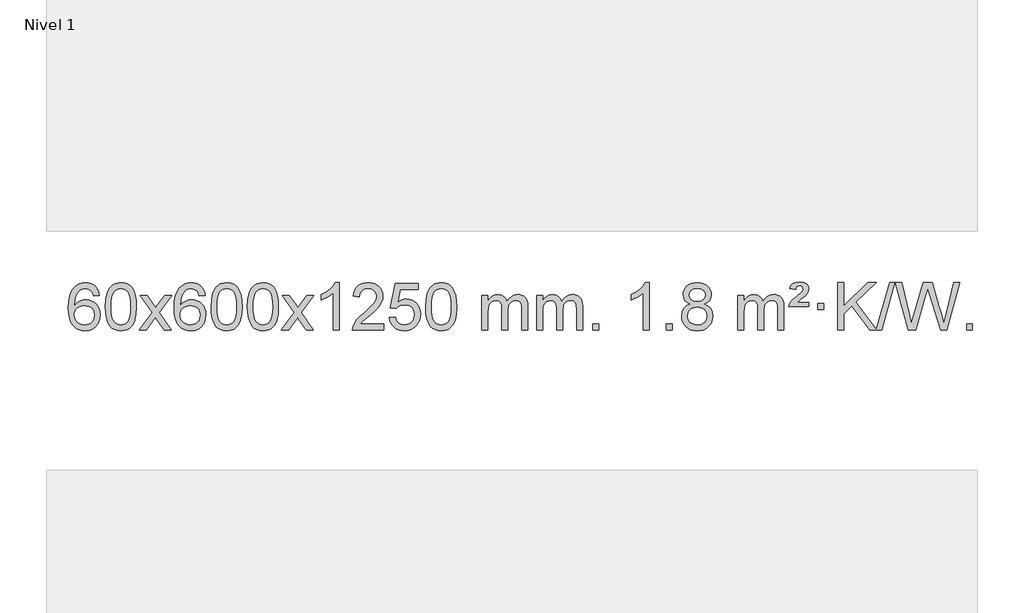
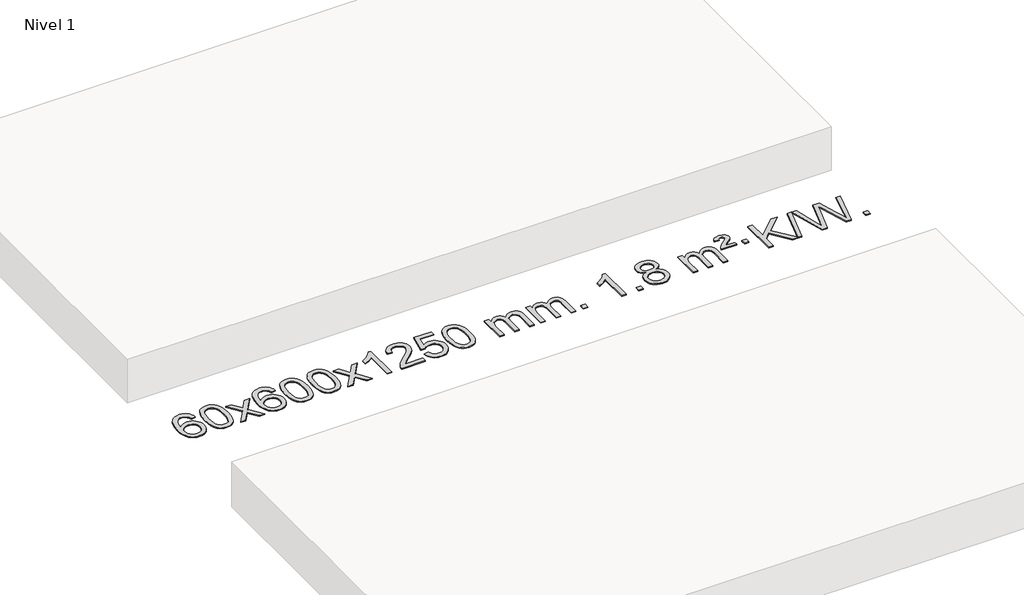
# One storey, part 7 of 7: 1 proxy.
"""IFC4 building model written with IfcOpenShell, lengths in millimetres."""

from ifc_helpers import new_model, si_unit, origin, origin_with_axes, place, context, project, spatial, polyline, outline, extrude, element, save

model = new_model("IFC4")

# Units and contexts
model_context = context("Model", 3, world=origin())
ifc_project = project(units=[si_unit("LENGTHUNIT", "METRE", prefix="MILLI")], contexts=[model_context])

# Site, building, storey
site = spatial("IfcSite", under=ifc_project)
building = spatial("IfcBuilding", under=site)
storey = spatial("IfcBuildingStorey", under=building, Name="Nivel 1", Elevation=0.0)

# Proxy
placement = place(None, origin())
element("IfcBuildingElementProxy", 1, Name="Texto de modelo 1", ObjectType="Texto de modelo 1", at=placement, inside=storey, context=model_context, shape_type="SweptSolid", body=[
    extrude(outline(polyline([(-12868.7310862, -89.5264458), (-12918.9592412, -95.8049652), (-12927.0526451, -70.9116168), (-12937.9910031, -53.9154687), (-12960.7751614, -38.2436957), (-12988.3172601, -33.0197713), (-13011.665504, -36.0609292), (-13033.6403219, -45.1844027), (-13052.5126682, -64.4001055), (-13067.9269238, -90.850821), (-13078.3379843, -128.2644199), (-13082.2007452, -180.3687731), (-13062.0530746, -156.8611137), (-13037.907753, -140.2941611), (-13011.113681, -130.4717119), (-12983.0197593, -127.1975621), (-12958.8867005, -129.4355109), (-12936.617577, -136.1493573), (-12916.212389, -147.3391013), (-12897.6711365, -163.004743), (-12882.2630122, -182.2143145), (-12871.2572092, -204.0358482), (-12864.6537274, -228.469344), (-12862.4525668, -255.514802), (-12866.5973706, -291.4813984), (-12879.031782, -324.8237699), (-12898.7257315, -353.1016326), (-12924.6491494, -373.8747026), (-12955.6248134, -386.6402078), (-12990.4755011, -390.8953763), (-13020.4180298, -388.0749476), (-13047.4604222, -379.6136617), (-13071.6026781, -365.5115186), (-13092.8447976, -345.7685182), (-13110.1628426, -319.5507947), (-13122.5328746, -286.0244822), (-13129.9548939, -245.1895807), (-13132.4289003, -197.0460903), (-13129.6820481, -143.0716702), (-13121.4414914, -97.006713), (-13107.7072302, -58.8512188), (-13088.4792646, -28.6051874), (-13067.6387496, -8.56175), (-13043.4750339, 5.7549909), (-13015.9881175, 14.3450355), (-12985.1780004, 17.2083837), (-12962.0443542, 15.4364188), (-12941.1057374, 10.120524), (-12922.3621497, 1.2606992), (-12905.8135913, -11.1430554), (-12891.9076519, -26.6738069), (-12881.0919212, -44.9146225), (-12873.3663993, -65.8655021), (-12868.7310862, -89.5264458)]), holes=[polyline([(-13082.2007452, -254.7299871), (-13079.2944775, -276.9868478), (-13070.5756742, -298.2381644), (-13057.0376168, -316.5096368), (-13039.6735866, -329.8269651), (-13018.7165756, -337.9571571), (-12994.3995757, -340.6672212), (-12961.253408, -335.0508894), (-12947.3382715, -328.0304746), (-12935.1951, -318.201894), (-12925.3450595, -305.9636863), (-12918.3093164, -291.7143904), (-12912.6807219, -257.1825337), (-12918.23574, -224.036366), (-12925.1795126, -210.4155351), (-12934.9007944, -198.7628729), (-12947.0807541, -189.4278673), (-12961.4005608, -182.7600061), (-12996.4597149, -177.4257172), (-13029.5568317, -182.7600061), (-13057.2338205, -198.7628729), (-13068.1568501, -210.2622509), (-13075.9590141, -223.4232293), (-13080.6403124, -238.245808), (-13082.2007452, -254.7299871)])]), origin_with_axes(), (0.0, 0.0, 1.0), 10.0),
    extrude(outline(polyline([(-12818.5029311, -186.9415981), (-12814.8118484, -122.6235626), (-12803.7386004, -71.3285498), (-12785.3935515, -32.2717446), (-12773.5354886, -17.0383643), (-12759.8870665, -4.6683323), (-12744.4023002, 4.902731), (-12727.0352044, 11.7392047), (-12686.654024, 17.2083837), (-12655.7028855, 13.9710222), (-12627.9891085, 4.2589375), (-12604.8125428, -11.5477256), (-12587.4730381, -33.0688223), (-12574.3764391, -60.1204117), (-12563.9285904, -92.5185527), (-12557.0859853, -133.6600225), (-12554.805117, -186.9415981), (-12558.4594114, -250.8917516), (-12569.4222949, -302.0641372), (-12587.6569791, -341.1577305), (-12599.487451, -356.437096), (-12613.1266759, -368.8715075), (-12628.6298363, -378.5069501), (-12646.0521145, -385.3894091), (-12686.654024, -390.8953763), (-12714.3187501, -388.5041433), (-12738.8442164, -381.3304444), (-12760.2304231, -369.3742795), (-12778.47737, -352.6356488), (-12795.988553, -322.3773547), (-12808.4965408, -284.6755815), (-12816.0013335, -239.5303293), (-12818.5029311, -186.9415981)]), holes=[polyline([(-12768.274776, -186.8434963), (-12766.803248, -230.5080234), (-12762.3886641, -265.8522861), (-12755.0310242, -292.8762843), (-12744.7303283, -311.5800181), (-12732.2713914, -324.3056694), (-12718.4390284, -333.3954204), (-12703.2332393, -338.849271), (-12686.654024, -340.6672212), (-12670.0748088, -338.8431396), (-12654.8690196, -333.3708949), (-12641.0366566, -324.2504871), (-12628.5777197, -311.4819162), (-12618.2770239, -292.7475256), (-12610.919384, -265.7296588), (-12606.5048, -230.4283156), (-12605.033272, -186.8434963), (-12606.4557491, -144.3347317), (-12610.7231802, -109.6128027), (-12617.8355655, -82.6777093), (-12627.7929048, -63.5294515), (-12640.0433752, -50.1814664), (-12654.0351538, -40.6471914), (-12669.7682404, -34.9266264), (-12687.2426352, -33.0197713), (-12703.7360113, -34.6997658), (-12718.6842831, -39.7397491), (-12732.0874504, -48.1397213), (-12743.9455134, -59.8996825), (-12754.5895658, -80.7463289), (-12762.1924604, -108.8525133), (-12766.7541971, -144.2182358), (-12768.274776, -186.8434963)])]), origin_with_axes(), (0.0, 0.0, 1.0), 10.0),
    extrude(outline(polyline([(-12529.6910394, -384.6168569), (-12422.3675987, -236.2868364), (-12523.41252, -89.5264458), (-12462.981771, -89.5264458), (-12414.2251439, -160.1597889), (-12391.4655111, -193.5144231), (-12371.7470362, -166.2421045), (-12316.2213804, -89.5264458), (-12255.7906313, -89.5264458), (-12361.9368496, -236.2868364), (-12259.7147059, -384.6168569), (-12320.145455, -384.6168569), (-12381.6553246, -295.4422612), (-12392.9370391, -279.1573516), (-12469.2602903, -384.6168569), (-12529.6910394, -384.6168569)])), origin_with_axes(), (0.0, 0.0, 1.0), 10.0),
    extrude(outline(polyline([(-11970.9028142, -89.5264458), (-12021.1309693, -95.8049652), (-12029.2243732, -70.9116168), (-12040.1627312, -53.9154687), (-12062.9468894, -38.2436957), (-12090.4889881, -33.0197713), (-12113.8372321, -36.0609292), (-12135.8120499, -45.1844027), (-12154.6843963, -64.4001055), (-12170.0986519, -90.850821), (-12180.5097123, -128.2644199), (-12184.3724733, -180.3687731), (-12164.2248027, -156.8611137), (-12140.0794811, -140.2941611), (-12113.2854091, -130.4717119), (-12085.1914874, -127.1975621), (-12061.0584285, -129.4355109), (-12038.7893051, -136.1493573), (-12018.3841171, -147.3391013), (-11999.8428645, -163.004743), (-11984.4347403, -182.2143145), (-11973.4289372, -204.0358482), (-11966.8254554, -228.469344), (-11964.6242948, -255.514802), (-11968.7690986, -291.4813984), (-11981.2035101, -324.8237699), (-12000.8974596, -353.1016326), (-12026.8208775, -373.8747026), (-12057.7965415, -386.6402078), (-12092.6472291, -390.8953763), (-12122.5897579, -388.0749476), (-12149.6321502, -379.6136617), (-12173.7744061, -365.5115186), (-12195.0165257, -345.7685182), (-12212.3345706, -319.5507947), (-12224.7046027, -286.0244822), (-12232.1266219, -245.1895807), (-12234.6006284, -197.0460903), (-12231.8537761, -143.0716702), (-12223.6132194, -97.006713), (-12209.8789583, -58.8512188), (-12190.6509927, -28.6051874), (-12169.8104776, -8.56175), (-12145.6467619, 5.7549909), (-12118.1598455, 14.3450355), (-12087.3497284, 17.2083837), (-12064.2160823, 15.4364188), (-12043.2774654, 10.120524), (-12024.5338777, 1.2606992), (-12007.9853193, -11.1430554), (-11994.0793799, -26.6738069), (-11983.2636492, -44.9146225), (-11975.5381274, -65.8655021), (-11970.9028142, -89.5264458)]), holes=[polyline([(-12184.3724733, -254.7299871), (-12181.4662055, -276.9868478), (-12172.7474022, -298.2381644), (-12159.2093448, -316.5096368), (-12141.8453146, -329.8269651), (-12120.8883036, -337.9571571), (-12096.5713038, -340.6672212), (-12063.425136, -335.0508894), (-12049.5099995, -328.0304746), (-12037.366828, -318.201894), (-12027.5167876, -305.9636863), (-12020.4810444, -291.7143904), (-12014.8524499, -257.1825337), (-12020.407468, -224.036366), (-12027.3512407, -210.4155351), (-12037.0725224, -198.7628729), (-12049.2524821, -189.4278673), (-12063.5722888, -182.7600061), (-12098.6314429, -177.4257172), (-12131.7285598, -182.7600061), (-12159.4055485, -198.7628729), (-12170.3285781, -210.2622509), (-12178.1307421, -223.4232293), (-12182.8120405, -238.245808), (-12184.3724733, -254.7299871)])]), origin_with_axes(), (0.0, 0.0, 1.0), 10.0),
    extrude(outline(polyline([(-11920.6746591, -186.9415981), (-11916.9835765, -122.6235626), (-11905.9103284, -71.3285498), (-11887.5652796, -32.2717446), (-11875.7072166, -17.0383643), (-11862.0587946, -4.6683323), (-11846.5740283, 4.902731), (-11829.2069324, 11.7392047), (-11788.8257521, 17.2083837), (-11757.8746135, 13.9710222), (-11730.1608366, 4.2589375), (-11706.9842709, -11.5477256), (-11689.6447662, -33.0688223), (-11676.5481671, -60.1204117), (-11666.1003185, -92.5185527), (-11659.2577134, -133.6600225), (-11656.976845, -186.9415981), (-11660.6311395, -250.8917516), (-11671.5940229, -302.0641372), (-11689.8287072, -341.1577305), (-11701.659179, -356.437096), (-11715.298404, -368.8715075), (-11730.8015644, -378.5069501), (-11748.2238425, -385.3894091), (-11788.8257521, -390.8953763), (-11816.4904781, -388.5041433), (-11841.0159444, -381.3304444), (-11862.4021511, -369.3742795), (-11880.6490981, -352.6356488), (-11898.160281, -322.3773547), (-11910.6682689, -284.6755815), (-11918.1730616, -239.5303293), (-11920.6746591, -186.9415981)]), holes=[polyline([(-11870.4465041, -186.8434963), (-11868.9749761, -230.5080234), (-11864.5603921, -265.8522861), (-11857.2027522, -292.8762843), (-11846.9020564, -311.5800181), (-11834.4431195, -324.3056694), (-11820.6107564, -333.3954204), (-11805.4049673, -338.849271), (-11788.8257521, -340.6672212), (-11772.2465368, -338.8431396), (-11757.0407477, -333.3708949), (-11743.2083847, -324.2504871), (-11730.7494478, -311.4819162), (-11720.4487519, -292.7475256), (-11713.091112, -265.7296588), (-11708.676528, -230.4283156), (-11707.2050001, -186.8434963), (-11708.6274771, -144.3347317), (-11712.8949083, -109.6128027), (-11720.0072935, -82.6777093), (-11729.9646328, -63.5294515), (-11742.2151033, -50.1814664), (-11756.2068818, -40.6471914), (-11771.9399685, -34.9266264), (-11789.4143633, -33.0197713), (-11805.9077394, -34.6997658), (-11820.8560111, -39.7397491), (-11834.2591785, -48.1397213), (-11846.1172414, -59.8996825), (-11856.7612938, -80.7463289), (-11864.3641884, -108.8525133), (-11868.9259251, -144.2182358), (-11870.4465041, -186.8434963)])]), origin_with_axes(), (0.0, 0.0, 1.0), 10.0),
    extrude(outline(polyline([(-11613.0272093, -186.9415981), (-11609.3361266, -122.6235626), (-11598.2628786, -71.3285498), (-11579.9178297, -32.2717446), (-11568.0597668, -17.0383643), (-11554.4113447, -4.6683323), (-11538.9265784, 4.902731), (-11521.5594826, 11.7392047), (-11481.1783022, 17.2083837), (-11450.2271637, 13.9710222), (-11422.5133867, 4.2589375), (-11399.336821, -11.5477256), (-11381.9973163, -33.0688223), (-11368.9007173, -60.1204117), (-11358.4528686, -92.5185527), (-11351.6102635, -133.6600225), (-11349.3293952, -186.9415981), (-11352.9836896, -250.8917516), (-11363.9465731, -302.0641372), (-11382.1812573, -341.1577305), (-11394.0117292, -356.437096), (-11407.6509541, -368.8715075), (-11423.1541145, -378.5069501), (-11440.5763927, -385.3894091), (-11481.1783022, -390.8953763), (-11508.8430283, -388.5041433), (-11533.3684946, -381.3304444), (-11554.7547013, -369.3742795), (-11573.0016482, -352.6356488), (-11590.5128312, -322.3773547), (-11603.020819, -284.6755815), (-11610.5256117, -239.5303293), (-11613.0272093, -186.9415981)]), holes=[polyline([(-11562.7990542, -186.8434963), (-11561.3275262, -230.5080234), (-11556.9129423, -265.8522861), (-11549.5553024, -292.8762843), (-11539.2546065, -311.5800181), (-11526.7956696, -324.3056694), (-11512.9633066, -333.3954204), (-11497.7575175, -338.849271), (-11481.1783022, -340.6672212), (-11464.599087, -338.8431396), (-11449.3932978, -333.3708949), (-11435.5609348, -324.2504871), (-11423.1019979, -311.4819162), (-11412.8013021, -292.7475256), (-11405.4436622, -265.7296588), (-11401.0290782, -230.4283156), (-11399.5575502, -186.8434963), (-11400.9800273, -144.3347317), (-11405.2474584, -109.6128027), (-11412.3598437, -82.6777093), (-11422.317183, -63.5294515), (-11434.5676534, -50.1814664), (-11448.559432, -40.6471914), (-11464.2925187, -34.9266264), (-11481.7669134, -33.0197713), (-11498.2602895, -34.6997658), (-11513.2085613, -39.7397491), (-11526.6117286, -48.1397213), (-11538.4697916, -59.8996825), (-11549.113844, -80.7463289), (-11556.7167386, -108.8525133), (-11561.2784753, -144.2182358), (-11562.7990542, -186.8434963)])]), origin_with_axes(), (0.0, 0.0, 1.0), 10.0),
    extrude(outline(polyline([(-11324.2153176, -384.6168569), (-11216.8918769, -236.2868364), (-11317.9367982, -89.5264458), (-11257.5060492, -89.5264458), (-11208.7494221, -160.1597889), (-11185.9897893, -193.5144231), (-11166.2713144, -166.2421045), (-11110.7456586, -89.5264458), (-11050.3149095, -89.5264458), (-11156.4611278, -236.2868364), (-11054.2389841, -384.6168569), (-11114.6697332, -384.6168569), (-11176.1796028, -295.4422612), (-11187.4613173, -279.1573516), (-11263.7845685, -384.6168569), (-11324.2153176, -384.6168569)])), origin_with_axes(), (0.0, 0.0, 1.0), 10.0),
    extrude(outline(polyline([(-10834.4908056, -384.6168569), (-10884.7189607, -384.6168569), (-10884.7189607, -71.4757026), (-10905.6882344, -88.4350626), (-10932.2983654, -105.3698971), (-10985.1752709, -130.7292293), (-10985.1752709, -83.2479264), (-10945.7260583, -61.7881434), (-10911.5498209, -36.2571329), (-10884.6085961, -9.1074417), (-10866.8644212, 17.2083837), (-10834.4908056, 17.2083837), (-10834.4908056, -384.6168569)])), origin_with_axes(), (0.0, 0.0, 1.0), 10.0),
    extrude(outline(polyline([(-10457.7796426, -334.3887018), (-10457.7796426, -384.6168569), (-10721.4774567, -384.6168569), (-10720.3738107, -366.9339956), (-10716.0818541, -349.9868984), (-10703.6964936, -322.9230463), (-10685.572174, -296.6685346), (-10659.3544505, -269.1877495), (-10622.6888783, -238.4450775), (-10568.4875977, -190.301587), (-10535.9668293, -154.7641863), (-10519.7064451, -125.9222379), (-10514.286317, -97.8651044), (-10519.3998768, -72.7142386), (-10534.740556, -51.8062786), (-10558.3217919, -37.7163982), (-10588.1570217, -33.0197713), (-10619.4883049, -37.6060336), (-10643.8298303, -51.3648202), (-10659.5383915, -73.2170107), (-10664.9707823, -102.0834846), (-10715.1989373, -95.8049652), (-10710.8793896, -69.8754159), (-10703.0220433, -47.2200164), (-10691.6268985, -27.8387666), (-10676.6939552, -11.7316666), (-10658.5665699, 0.9296054), (-10637.5880991, 9.9733712), (-10613.7585429, 15.3996306), (-10587.0779012, 17.2083837), (-10560.1581362, 15.1972955), (-10536.1998212, 9.1640308), (-10515.2029563, -0.8914104), (-10497.1675415, -14.9690281), (-10482.682188, -32.02649), (-10472.3355069, -51.0214636), (-10466.1274982, -71.9539492), (-10464.058162, -94.8239465), (-10466.2899794, -118.8466408), (-10472.9854317, -142.4524022), (-10484.8680202, -166.4628337), (-10502.661246, -191.6995386), (-10531.0249478, -221.829074), (-10574.6189643, -260.5179972), (-10632.400963, -308.8331659), (-10655.0624939, -334.3887018), (-10457.7796426, -334.3887018)])), origin_with_axes(), (0.0, 0.0, 1.0), 10.0),
    extrude(outline(polyline([(-10407.5514875, -277.8820273), (-10357.3233324, -271.603508), (-10348.1017571, -301.7575688), (-10332.0130512, -323.3522419), (-10309.1307911, -336.3384764), (-10279.5285532, -340.6672212), (-10260.3986894, -339.1619707), (-10243.5251686, -334.6462192), (-10228.9079907, -327.1199667), (-10216.5471556, -316.5832132), (-10206.718575, -303.5571249), (-10199.6981602, -288.5628679), (-10194.0818284, -252.6698479), (-10199.342541, -218.8737553), (-10205.9184316, -204.9555532), (-10215.1246786, -193.0239138), (-10226.9919386, -183.4528505), (-10241.5508686, -176.6163768), (-10278.7437383, -171.1471978), (-10303.1097891, -173.3299643), (-10322.8405268, -179.8782638), (-10338.5981389, -189.9091796), (-10351.044813, -202.5397947), (-10401.2729681, -196.2612753), (-10357.3233324, 10.9298643), (-10162.6892315, 10.9298643), (-10162.6892315, -39.2982907), (-10316.7091602, -39.2982907), (-10338.1934687, -149.9571949), (-10320.4676879, -137.2530033), (-10302.3127114, -128.1785808), (-10283.7285393, -122.7339272), (-10264.7151715, -120.9190427), (-10240.2540845, -123.1692543), (-10217.7856917, -129.9198889), (-10197.3099929, -141.1709466), (-10178.8269884, -156.9224273), (-10163.5261631, -176.2117066), (-10152.5970021, -198.0761598), (-10146.0395056, -222.5157871), (-10143.8536734, -249.5305882), (-10145.821842, -275.552108), (-10151.7263481, -299.7587433), (-10161.5671914, -322.1504941), (-10175.3443722, -342.7273604), (-10196.215544, -363.8008673), (-10220.5693321, -378.8533723), (-10248.4057364, -387.8848753), (-10279.7247569, -390.8953763), (-10305.6451092, -388.9609301), (-10329.0577325, -383.1575916), (-10349.9626268, -373.4853608), (-10368.3597923, -359.9442377), (-10383.666749, -343.2086726), (-10395.3010171, -323.9531159), (-10403.2625966, -302.1775674), (-10407.5514875, -277.8820273)])), origin_with_axes(), (0.0, 0.0, 1.0), 10.0),
    extrude(outline(polyline([(-10099.9040377, -186.9415981), (-10096.212955, -122.6235626), (-10085.1397069, -71.3285498), (-10066.7946581, -32.2717446), (-10054.9365951, -17.0383643), (-10041.2881731, -4.6683323), (-10025.8034068, 4.902731), (-10008.4363109, 11.7392047), (-9968.0551306, 17.2083837), (-9937.1039921, 13.9710222), (-9909.3902151, 4.2589375), (-9886.2136494, -11.5477256), (-9868.8741447, -33.0688223), (-9855.7775457, -60.1204117), (-9845.329697, -92.5185527), (-9838.4870919, -133.6600225), (-9836.2062235, -186.9415981), (-9839.860518, -250.8917516), (-9850.8234015, -302.0641372), (-9869.0580857, -341.1577305), (-9880.8885575, -356.437096), (-9894.5277825, -368.8715075), (-9910.0309429, -378.5069501), (-9927.4532211, -385.3894091), (-9968.0551306, -390.8953763), (-9995.7198566, -388.5041433), (-10020.245323, -381.3304444), (-10041.6315296, -369.3742795), (-10059.8784766, -352.6356488), (-10077.3896596, -322.3773547), (-10089.8976474, -284.6755815), (-10097.4024401, -239.5303293), (-10099.9040377, -186.9415981)]), holes=[polyline([(-10049.6758826, -186.8434963), (-10048.2043546, -230.5080234), (-10043.7897707, -265.8522861), (-10036.4321308, -292.8762843), (-10026.1314349, -311.5800181), (-10013.672498, -324.3056694), (-9999.840135, -333.3954204), (-9984.6343459, -338.849271), (-9968.0551306, -340.6672212), (-9951.4759154, -338.8431396), (-9936.2701262, -333.3708949), (-9922.4377632, -324.2504871), (-9909.9788263, -311.4819162), (-9899.6781304, -292.7475256), (-9892.3204905, -265.7296588), (-9887.9059066, -230.4283156), (-9886.4343786, -186.8434963), (-9887.8568557, -144.3347317), (-9892.1242868, -109.6128027), (-9899.236672, -82.6777093), (-9909.1940114, -63.5294515), (-9921.4444818, -50.1814664), (-9935.4362604, -40.6471914), (-9951.169347, -34.9266264), (-9968.6437418, -33.0197713), (-9985.1371179, -34.6997658), (-10000.0853897, -39.7397491), (-10013.488557, -48.1397213), (-10025.34662, -59.8996825), (-10035.9906724, -80.7463289), (-10043.5935669, -108.8525133), (-10048.1553037, -144.2182358), (-10049.6758826, -186.8434963)])]), origin_with_axes(), (0.0, 0.0, 1.0), 10.0),
    extrude(outline(polyline([(-9622.7365645, -384.6168569), (-9622.7365645, -89.5264458), (-9572.5084094, -89.5264458), (-9572.5084094, -138.0868692), (-9557.4007221, -115.7809575), (-9537.9765528, -98.3065628), (-9514.8980889, -87.0125855), (-9488.8275182, -83.2479264), (-9460.8930121, -87.0861619), (-9438.5012613, -98.6008684), (-9421.7748932, -117.0317563), (-9410.8365352, -141.6185363), (-9392.5282746, -116.0813945), (-9371.64484, -97.8405789), (-9348.1862315, -86.8960895), (-9322.1524489, -83.2479264), (-9302.0446322, -84.7654397), (-9284.3954935, -89.3179793), (-9269.2050328, -96.9055455), (-9256.4732501, -107.5281381), (-9246.4086118, -121.3083845), (-9239.2195845, -138.368912), (-9234.9061681, -158.7097207), (-9233.4683626, -182.3308105), (-9233.4683626, -384.6168569), (-9283.6965177, -384.6168569), (-9283.6965177, -203.9132208), (-9284.8614774, -178.860457), (-9288.3563563, -161.9746734), (-9294.9046558, -150.410916), (-9305.2298772, -141.3242307), (-9318.5104172, -135.4381188), (-9333.9246728, -133.4760815), (-9361.1356777, -138.5038021), (-9383.318962, -153.5869639), (-9391.924335, -165.1568526), (-9398.07103, -179.7556365), (-9402.988386, -218.0398895), (-9402.988386, -384.6168569), (-9453.2165411, -384.6168569), (-9453.2165411, -198.3214145), (-9456.1228088, -169.9209245), (-9464.8416121, -149.6628893), (-9480.1822913, -137.5227834), (-9502.9541868, -133.4760815), (-9522.3047798, -136.1738828), (-9540.1347938, -144.2672867), (-9554.8500736, -157.5600894), (-9564.8564639, -175.8560873), (-9570.595423, -201.239945), (-9572.5084094, -235.7963271), (-9572.5084094, -384.6168569), (-9622.7365645, -384.6168569)])), origin_with_axes(), (0.0, 0.0, 1.0), 10.0),
    extrude(outline(polyline([(-9158.12613, -384.6168569), (-9158.12613, -89.5264458), (-9107.8979749, -89.5264458), (-9107.8979749, -138.0868692), (-9092.7902877, -115.7809575), (-9073.3661183, -98.3065628), (-9050.2876545, -87.0125855), (-9024.2170838, -83.2479264), (-8996.2825776, -87.0861619), (-8973.8908268, -98.6008684), (-8957.1644588, -117.0317563), (-8946.2261008, -141.6185363), (-8927.9178402, -116.0813945), (-8907.0344056, -97.8405789), (-8883.575797, -86.8960895), (-8857.5420145, -83.2479264), (-8837.4341978, -84.7654397), (-8819.7850591, -89.3179793), (-8804.5945983, -96.9055455), (-8791.8628156, -107.5281381), (-8781.7981774, -121.3083845), (-8774.6091501, -138.368912), (-8770.2957337, -158.7097207), (-8768.8579282, -182.3308105), (-8768.8579282, -384.6168569), (-8819.0860833, -384.6168569), (-8819.0860833, -203.9132208), (-8820.2510429, -178.860457), (-8823.7459219, -161.9746734), (-8830.2942214, -150.410916), (-8840.6194427, -141.3242307), (-8853.8999827, -135.4381188), (-8869.3142383, -133.4760815), (-8896.5252433, -138.5038021), (-8918.7085276, -153.5869639), (-8927.3139006, -165.1568526), (-8933.4605956, -179.7556365), (-8938.3779516, -218.0398895), (-8938.3779516, -384.6168569), (-8988.6061066, -384.6168569), (-8988.6061066, -198.3214145), (-8991.5123744, -169.9209245), (-9000.2311777, -149.6628893), (-9015.5718569, -137.5227834), (-9038.3437524, -133.4760815), (-9057.6943453, -136.1738828), (-9075.5243594, -144.2672867), (-9090.2396392, -157.5600894), (-9100.2460294, -175.8560873), (-9105.9849886, -201.239945), (-9107.8979749, -235.7963271), (-9107.8979749, -384.6168569), (-9158.12613, -384.6168569)])), origin_with_axes(), (0.0, 0.0, 1.0), 10.0),
    extrude(outline(polyline([(-8680.9586568, -384.6168569), (-8680.9586568, -334.3887018), (-8630.7305017, -334.3887018), (-8630.7305017, -384.6168569), (-8680.9586568, -384.6168569)])), origin_with_axes(), (0.0, 0.0, 1.0), 10.0),
    extrude(outline(polyline([(-8203.7911836, -384.6168569), (-8254.0193387, -384.6168569), (-8254.0193387, -71.4757026), (-8274.9886124, -88.4350626), (-8301.5987434, -105.3698971), (-8354.4756488, -130.7292293), (-8354.4756488, -83.2479264), (-8315.0264362, -61.7881434), (-8280.8501989, -36.2571329), (-8253.9089741, -9.1074417), (-8236.1647992, 17.2083837), (-8203.7911836, 17.2083837), (-8203.7911836, -384.6168569)])), origin_with_axes(), (0.0, 0.0, 1.0), 10.0),
    extrude(outline(polyline([(-8059.3852378, -384.6168569), (-8059.3852378, -334.3887018), (-8009.1570827, -334.3887018), (-8009.1570827, -384.6168569), (-8059.3852378, -384.6168569)])), origin_with_axes(), (0.0, 0.0, 1.0), 10.0),
    extrude(outline(polyline([(-7854.3523391, -163.2990486), (-7881.244513, -150.0552967), (-7900.1168593, -132.1026554), (-7911.2636838, -109.8090065), (-7914.9792919, -83.542232), (-7912.9559409, -63.0573363), (-7906.885888, -44.2769604), (-7896.7691332, -27.2011045), (-7882.6056763, -11.8297684), (-7865.0760993, 0.8744231), (-7844.8609836, 9.9488457), (-7821.9603294, 15.3934992), (-7796.3741367, 17.2083837), (-7770.6653166, 15.3505797), (-7747.5929841, 9.7771674), (-7727.1571393, 0.488147), (-7709.3577821, -12.5164815), (-7694.9368079, -28.1882545), (-7684.636112, -45.4787082), (-7678.4556945, -64.3878428), (-7676.3955553, -84.9156581), (-7680.0621125, -110.336304), (-7691.0617842, -132.2498082), (-7709.5171976, -150.0920849), (-7735.5509801, -163.2990486), (-7704.6366298, -179.228339), (-7682.1345144, -202.6869475), (-7668.412516, -232.5467028), (-7663.8385165, -267.6794333), (-7666.1071222, -292.7321972), (-7672.9129391, -315.7002964), (-7684.2559673, -336.583731), (-7700.1362067, -355.382501), (-7719.7197916, -370.9193839), (-7742.1728561, -382.0171574), (-7767.4954001, -388.6758215), (-7795.6874236, -390.8953763), (-7823.8794472, -388.6666245), (-7849.2019912, -381.9803692), (-7871.6550556, -370.8366105), (-7891.2386405, -355.2353482), (-7907.11888, -336.3047539), (-7918.4619081, -315.1729989), (-7925.2677251, -291.8400834), (-7927.5363307, -266.3060072), (-7922.7783902, -229.8121133), (-7908.5045688, -199.7929425), (-7885.4506304, -177.2785644), (-7854.3523391, -163.2990486)]), holes=[polyline([(-7877.3081756, -264.5401736), (-7875.2112482, -283.7558765), (-7868.9204661, -302.3584427), (-7857.3076578, -318.5820387), (-7839.2446518, -330.6608309), (-7817.6131905, -338.1656236), (-7795.2950162, -340.6672212), (-7761.1065161, -335.4065086), (-7747.2128394, -328.830618), (-7735.4528783, -319.6243711), (-7719.4132233, -295.7243041), (-7714.0666716, -266.1098035), (-7719.5849015, -235.9925308), (-7736.1395913, -211.5651663), (-7748.2183835, -202.1228618), (-7762.3818403, -195.3783586), (-7796.9627479, -189.982756), (-7830.6730014, -195.3047822), (-7844.4103282, -201.9573149), (-7856.0691218, -211.2708607), (-7871.9984122, -235.2322414), (-7877.3081756, -264.5401736)]), polyline([(-7864.7511368, -85.01376), (-7860.2997647, -106.9395269), (-7846.9456483, -124.4507099), (-7825.081195, -135.9286281), (-7795.0988124, -139.7546009), (-7765.8154056, -135.9531536), (-7744.2820462, -124.5488117), (-7731.0382943, -107.62624), (-7726.6237104, -87.2701029), (-7731.1854471, -66.1414136), (-7744.8706574, -48.6670189), (-7766.6983224, -36.9315832), (-7795.6874236, -33.0197713), (-7824.8604658, -36.8457441), (-7846.6513427, -48.3236623), (-7860.2261883, -65.1481323), (-7864.7511368, -85.01376)])]), origin_with_axes(), (0.0, 0.0, 1.0), 10.0),
    extrude(outline(polyline([(-7450.3688575, -384.6168569), (-7450.3688575, -89.5264458), (-7400.1407024, -89.5264458), (-7400.1407024, -138.0868692), (-7385.0330151, -115.7809575), (-7365.6088458, -98.3065628), (-7342.530382, -87.0125855), (-7316.4598112, -83.2479264), (-7288.5253051, -87.0861619), (-7266.1335543, -98.6008684), (-7249.4071862, -117.0317563), (-7238.4688283, -141.6185363), (-7220.1605676, -116.0813945), (-7199.277133, -97.8405789), (-7175.8185245, -86.8960895), (-7149.784742, -83.2479264), (-7129.6769252, -84.7654397), (-7112.0277865, -89.3179793), (-7096.8373258, -96.9055455), (-7084.1055431, -107.5281381), (-7074.0409048, -121.3083845), (-7066.8518775, -138.368912), (-7062.5384611, -158.7097207), (-7061.1006556, -182.3308105), (-7061.1006556, -384.6168569), (-7111.3288107, -384.6168569), (-7111.3288107, -203.9132208), (-7112.4937704, -178.860457), (-7115.9886493, -161.9746734), (-7122.5369488, -150.410916), (-7132.8621702, -141.3242307), (-7146.1427102, -135.4381188), (-7161.5569658, -133.4760815), (-7188.7679707, -138.5038021), (-7210.951255, -153.5869639), (-7219.556628, -165.1568526), (-7225.703323, -179.7556365), (-7230.620679, -218.0398895), (-7230.620679, -384.6168569), (-7280.8488341, -384.6168569), (-7280.8488341, -198.3214145), (-7283.7551019, -169.9209245), (-7292.4739051, -149.6628893), (-7307.8145843, -137.5227834), (-7330.5864798, -133.4760815), (-7349.9370728, -136.1738828), (-7367.7670868, -144.2672867), (-7382.4823666, -157.5600894), (-7392.4887569, -175.8560873), (-7398.227716, -201.239945), (-7400.1407024, -235.7963271), (-7400.1407024, -384.6168569), (-7450.3688575, -384.6168569)])), origin_with_axes(), (0.0, 0.0, 1.0), 10.0),
    extrude(outline(polyline([(-7017.15102, -183.7042366), (-7013.3250472, -167.8853108), (-7004.9863887, -152.0173341), (-6983.4775547, -126.878731), (-6951.520872, -99.1404286), (-6907.3750326, -61.7636179), (-6900.2381219, -50.2366487), (-6897.8591517, -38.4153739), (-6899.7476126, -26.324319), (-6905.4129953, -16.538658), (-6914.7817234, -10.0639348), (-6927.7802206, -7.9056938), (-6940.214632, -9.5243746), (-6949.0683254, -14.3804169), (-6955.4939976, -23.8472469), (-6960.6443455, -39.2982907), (-7010.8725006, -33.0197713), (-7000.0322444, -7.8075919), (-6983.4039783, 9.752642), (-6959.6388014, 20.0533378), (-6927.3878131, 23.4869031), (-6891.6051577, 19.354362), (-6866.8589622, 6.9567388), (-6852.437988, -11.3760473), (-6847.6309966, -33.3140769), (-6851.7267495, -56.2208625), (-6864.0140081, -77.8523238), (-6884.5418234, -97.6689006), (-6921.0111919, -125.7260341), (-6946.6157788, -152.3116396), (-6847.6309966, -152.3116396), (-6847.6309966, -183.7042366), (-7017.15102, -183.7042366)])), origin_with_axes(), (0.0, 0.0, 1.0), 10.0),
    extrude(outline(polyline([(-6772.288764, -208.8183141), (-6772.288764, -158.590159), (-6722.0606089, -158.590159), (-6722.0606089, -208.8183141), (-6772.288764, -208.8183141)])), origin_with_axes(), (0.0, 0.0, 1.0), 10.0),
    extrude(outline(polyline([(-6331.4189809, -384.6168569), (-6484.8502984, -181.938403), (-6552.5405855, -246.4894304), (-6552.5405855, -384.6168569), (-6602.7687406, -384.6168569), (-6602.7687406, 17.2083837), (-6552.5405855, 17.2083837), (-6552.5405855, -179.4858564), (-6346.5266682, 17.2083837), (-6276.2857326, 17.2083837), (-6449.2393213, -147.9951576), (-6274.5857114, -378.5723371), (-6163.2723837, 17.2083837), (-6117.9493219, 17.2083837), (-6230.9626708, -384.6168569), (-6270.0072132, -384.6168569), (-6276.2857326, -384.6168569), (-6331.4189809, -384.6168569)])), origin_with_axes(), (0.0, 0.0, 1.0), 10.0),
    extrude(outline(polyline([(-6003.464445, -384.6168569), (-6113.0442286, 17.2083837), (-6061.2464437, 17.2083837), (-5997.6764349, -246.8818379), (-5978.0560618, -328.404488), (-5957.0622627, -256.299617), (-5877.403548, 17.2083837), (-5802.7480284, 17.2083837), (-5744.8679278, -181.0554862), (-5720.0726814, -254.6318852), (-5701.8012089, -328.404488), (-5682.7694471, -249.2362826), (-5618.6108271, 17.2083837), (-5566.8130422, 17.2083837), (-5676.4909277, -384.6168569), (-5730.152648, -384.6168569), (-5826.4886798, -74.6149623), (-5839.9286354, -31.3520396), (-5855.0363227, -83.4441302), (-5942.8374922, -384.6168569), (-6003.464445, -384.6168569)])), origin_with_axes(), (0.0, 0.0, 1.0), 10.0),
    extrude(outline(polyline([(-5510.3063677, -384.6168569), (-5510.3063677, -334.3887018), (-5460.0782126, -334.3887018), (-5460.0782126, -384.6168569), (-5510.3063677, -384.6168569)])), origin_with_axes(), (0.0, 0.0, 1.0), 10.0),
])

save(model, "model.ifc")
